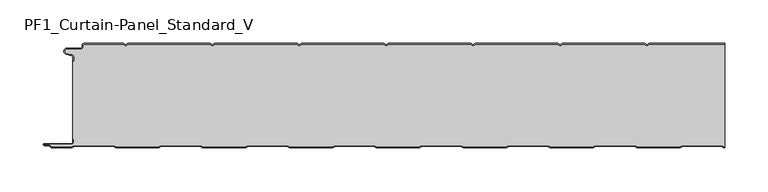
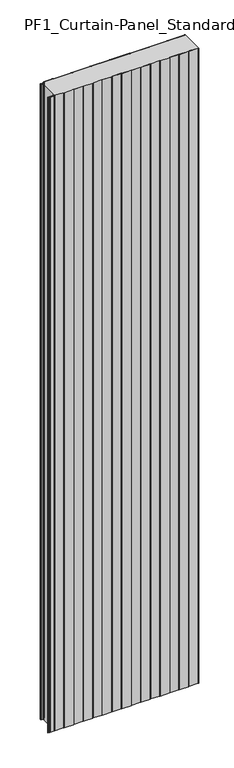
"""IFC4 building model written with IfcOpenShell, lengths in millimetres: plate geometry, PF1_Curtain-Panel_Standard_V."""

from ifc_helpers import new_model, si_unit, point, frame_2d, origin, origin_with_axes, place, context, project, spatial, polyline, circle_curve, trimmed, segment, composite_curve, outline, extrude, source, transform, mapped, element, save


def pf1_curtain_panel_standard_v_e757b284(model_context):
    return source(origin(), model_context, "Body", "SweptSolid", [
        extrude(outline(composite_curve([segment(trimmed(circle_curve(frame_2d((-377.0, -15.878557)), 2.0), [point((-375.0, -15.878557))], [point((-376.5500978, -13.9298169))], True, "CARTESIAN"), True, "CONTINUOUS"), segment(polyline([(-376.5500978, -13.9298169), (-382.7098239, -12.507732)]), True, "CONTINUOUS"), segment(trimmed(circle_curve(frame_2d((-381.9, -9.0)), 3.6), [point((-382.7098239, -12.507732))], [point((-381.9, -5.4))], False, "CARTESIAN"), True, "CONTINUOUS"), segment(polyline([(-381.9, -5.4), (-366.4, -5.4)]), True, "CONTINUOUS"), segment(trimmed(circle_curve(frame_2d((-366.4, -3.4)), 2.0), [point((-366.4, -5.4))], [point((-364.4, -3.4))], True, "CARTESIAN"), True, "CONTINUOUS"), segment(polyline([(-364.4, -3.4), (-364.4, -2.0)]), True, "CONTINUOUS"), segment(trimmed(circle_curve(frame_2d((-362.4, -2.0)), 2.0), [point((-364.4, -2.0))], [point((-362.4, 0.0))], False, "CARTESIAN"), True, "CONTINUOUS"), segment(polyline([(-362.4, 0.0), (-317.0999995, 0.0), (-314.4, -1.5588455), (-311.7000005, 0.0), (-217.0999995, 0.0), (-214.4, -1.5588455), (-211.7000005, 0.0), (-117.0999995, 0.0), (-114.4, -1.5588455), (-111.7000005, 0.0), (-17.0999995, 0.0), (-14.4, -1.5588455), (-11.7000005, 0.0), (82.9000005, 0.0), (85.6, -1.5588455), (88.2999995, 0.0), (182.9000005, 0.0), (185.6, -1.5588455), (188.2999995, 0.0), (282.9000005, 0.0), (285.6, -1.5588455), (288.2999995, 0.0), (375.0, 0.0), (375.0, -0.8), (288.5143588, -0.8), (285.6, -2.482606), (282.6856412, -0.8), (188.5143588, -0.8), (185.6, -2.482606), (182.6856412, -0.8), (88.5143588, -0.8), (85.6, -2.482606), (82.6856412, -0.8), (-11.4856412, -0.8), (-14.4, -2.482606), (-17.3143588, -0.8), (-111.4856412, -0.8), (-114.4, -2.482606), (-117.3143588, -0.8), (-211.4856412, -0.8), (-214.4, -2.482606), (-217.3143588, -0.8), (-311.4856412, -0.8), (-314.4, -2.482606), (-317.3143588, -0.8), (-362.4, -0.8)]), True, "CONTINUOUS"), segment(trimmed(circle_curve(frame_2d((-362.4, -2.0)), 1.2), [point((-362.4, -0.8))], [point((-363.6, -2.0))], True, "CARTESIAN"), True, "CONTINUOUS"), segment(polyline([(-363.6, -2.0), (-363.6, -3.4)]), True, "CONTINUOUS"), segment(trimmed(circle_curve(frame_2d((-366.4, -3.4)), 2.8), [point((-363.6, -3.4))], [point((-366.4, -6.2))], False, "CARTESIAN"), True, "CONTINUOUS"), segment(polyline([(-366.4, -6.2), (-381.9, -6.2)]), True, "CONTINUOUS"), segment(trimmed(circle_curve(frame_2d((-381.9, -9.0)), 2.8), [point((-381.9, -6.2))], [point((-382.529863, -11.7282362))], True, "CARTESIAN"), True, "CONTINUOUS"), segment(polyline([(-382.529863, -11.7282362), (-376.370137, -13.150321)]), True, "CONTINUOUS"), segment(trimmed(circle_curve(frame_2d((-377.0, -15.878557)), 2.8), [point((-376.370137, -13.150321))], [point((-374.2, -15.878557))], False, "CARTESIAN"), True, "CONTINUOUS"), segment(polyline([(-374.2, -15.878557), (-374.2, -20.0), (-375.0, -20.0), (-375.0, -15.878557)]), True, "CONTINUOUS")], self_intersect=False)), origin_with_axes(), (0.0, 0.0, 1.0), 3500.0),
        extrude(outline(composite_curve([segment(polyline([(-374.2, -110.0), (-375.0, -110.0), (-375.0, -20.0), (-374.2, -20.0), (-374.2, -15.878557)]), True, "CONTINUOUS"), segment(trimmed(circle_curve(frame_2d((-377.0, -15.878557)), 2.8), [point((-374.2, -15.878557))], [point((-376.370137, -13.1503208))], True, "CARTESIAN"), True, "CONTINUOUS"), segment(polyline([(-376.370137, -13.1503208), (-382.529863, -11.7282362)]), True, "CONTINUOUS"), segment(trimmed(circle_curve(frame_2d((-381.9, -9.0)), 2.8), [point((-382.529863, -11.7282362))], [point((-381.9, -6.2))], False, "CARTESIAN"), True, "CONTINUOUS"), segment(polyline([(-381.9, -6.2), (-366.4, -6.2)]), True, "CONTINUOUS"), segment(trimmed(circle_curve(frame_2d((-366.4, -3.4)), 2.8), [point((-366.4, -6.2))], [point((-363.6, -3.4))], True, "CARTESIAN"), True, "CONTINUOUS"), segment(polyline([(-363.6, -3.4), (-363.6, -2.0)]), True, "CONTINUOUS"), segment(trimmed(circle_curve(frame_2d((-362.4, -2.0)), 1.2), [point((-363.6, -2.0))], [point((-362.4, -0.8))], False, "CARTESIAN"), True, "CONTINUOUS"), segment(polyline([(-362.4, -0.8), (-317.3143588, -0.8), (-314.4, -2.482606), (-311.4856412, -0.8), (-217.3143588, -0.8), (-214.4, -2.482606), (-211.4856412, -0.8), (-117.3143588, -0.8), (-114.4, -2.482606), (-111.4856412, -0.8), (-17.3143588, -0.8), (-14.4, -2.482606), (-11.4856412, -0.8), (82.6856412, -0.8), (85.6, -2.482606), (88.5143588, -0.8), (182.6856412, -0.8), (185.6, -2.482606), (188.5143588, -0.8), (282.6856412, -0.8), (285.6, -2.482606), (288.5143588, -0.8), (375.0, -0.8), (375.0, -119.2), (374.2152562, -119.2), (371.6171786, -117.7), (326.3884624, -117.7), (323.7903848, -119.2), (274.2152562, -119.2), (271.6171786, -117.7), (226.3884624, -117.7), (223.7903848, -119.2), (174.2152562, -119.2), (171.6171786, -117.7), (126.3884624, -117.7), (123.7903848, -119.2), (74.2152562, -119.2), (71.6171786, -117.7), (26.3884624, -117.7), (23.7903848, -119.2), (-25.7847438, -119.2), (-28.3828214, -117.7), (-73.6115376, -117.7), (-76.2096152, -119.2), (-125.7847438, -119.2), (-128.3828214, -117.7), (-173.6115376, -117.7), (-176.2096152, -119.2), (-225.7847438, -119.2), (-228.3828214, -117.7), (-273.6115376, -117.7), (-276.2096152, -119.2), (-325.7847438, -119.2), (-328.3828214, -117.7), (-373.6115376, -117.7), (-376.2096152, -119.2), (-399.4, -119.2)]), True, "CONTINUOUS"), segment(trimmed(circle_curve(frame_2d((-399.4, -118.4)), 0.8), [point((-399.4, -119.2))], [point((-400.2, -118.4))], False, "CARTESIAN"), True, "CONTINUOUS"), segment(trimmed(circle_curve(frame_2d((-401.9, -118.6133333)), 1.7133333), [point((-400.2, -118.4))], [point((-401.9, -116.9))], True, "CARTESIAN"), True, "CONTINUOUS"), segment(polyline([(-401.9, -116.9), (-407.8700312, -116.9)]), True, "CONTINUOUS"), segment(trimmed(circle_curve(frame_2d((-407.8700312, -116.6)), 0.3), [point((-407.8700312, -116.9))], [point((-407.8700312, -116.3))], False, "CARTESIAN"), True, "CONTINUOUS"), segment(polyline([(-407.8700312, -116.3), (-377.0, -116.3)]), True, "CONTINUOUS"), segment(trimmed(circle_curve(frame_2d((-377.0, -113.5)), 2.8), [point((-377.0, -116.3))], [point((-374.2, -113.5))], True, "CARTESIAN"), True, "CONTINUOUS"), segment(polyline([(-374.2, -113.5), (-374.2, -110.0)]), True, "CONTINUOUS")], self_intersect=False)), origin_with_axes(), (0.0, 0.0, 1.0), 3500.0),
        extrude(outline(composite_curve([segment(polyline([(-375.0, -110.0), (-374.2, -110.0), (-374.2, -113.5)]), True, "CONTINUOUS"), segment(trimmed(circle_curve(frame_2d((-377.0, -113.5)), 2.8), [point((-374.2, -113.5))], [point((-377.0, -116.3))], False, "CARTESIAN"), True, "CONTINUOUS"), segment(polyline([(-377.0, -116.3), (-407.8700312, -116.3)]), True, "CONTINUOUS"), segment(trimmed(circle_curve(frame_2d((-407.8700312, -116.6)), 0.3), [point((-407.8700312, -116.3))], [point((-407.8700312, -116.9))], True, "CARTESIAN"), True, "CONTINUOUS"), segment(polyline([(-407.8700312, -116.9), (-401.9, -116.9)]), True, "CONTINUOUS"), segment(trimmed(circle_curve(frame_2d((-401.9, -118.6133333)), 1.7133333), [point((-401.9, -116.9))], [point((-400.2, -118.4))], False, "CARTESIAN"), True, "CONTINUOUS"), segment(trimmed(circle_curve(frame_2d((-399.4, -118.4)), 0.8), [point((-400.2, -118.4))], [point((-399.4, -119.2))], True, "CARTESIAN"), True, "CONTINUOUS"), segment(polyline([(-399.4, -119.2), (-376.2096152, -119.2), (-373.6115376, -117.7), (-328.3828214, -117.7), (-325.7847438, -119.2), (-276.2096152, -119.2), (-273.6115376, -117.7), (-228.3828214, -117.7), (-225.7847438, -119.2), (-176.2096152, -119.2), (-173.6115376, -117.7), (-128.3828214, -117.7), (-125.7847438, -119.2), (-76.2096152, -119.2), (-73.6115376, -117.7), (-28.3828214, -117.7), (-25.7847438, -119.2), (23.7903848, -119.2), (26.3884624, -117.7), (71.6171786, -117.7), (74.2152562, -119.2), (123.7903848, -119.2), (126.3884624, -117.7), (171.6171786, -117.7), (174.2152562, -119.2), (223.7903848, -119.2), (226.3884624, -117.7), (271.6171786, -117.7), (274.2152562, -119.2), (323.7903848, -119.2), (326.3884624, -117.7), (371.6171786, -117.7), (374.2152562, -119.2), (375.0, -119.2), (375.0, -120.0), (374.0008969, -120.0), (371.4028193, -118.5), (326.6028217, -118.5), (324.0047441, -120.0), (274.0008969, -120.0), (271.4028193, -118.5), (226.6028217, -118.5), (224.0047441, -120.0), (174.0008969, -120.0), (171.4028193, -118.5), (126.6028217, -118.5), (124.0047441, -120.0), (74.0008969, -120.0), (71.4028193, -118.5), (26.6028217, -118.5), (24.0047441, -120.0), (-25.9991031, -120.0), (-28.5971807, -118.5), (-73.3971783, -118.5), (-75.9952559, -120.0), (-125.9991031, -120.0), (-128.5971807, -118.5), (-173.3971783, -118.5), (-175.9952559, -120.0), (-225.9991031, -120.0), (-228.5971807, -118.5), (-273.3971783, -118.5), (-275.9952559, -120.0), (-325.9991031, -120.0), (-328.5971807, -118.5), (-373.3971783, -118.5), (-375.9952559, -120.0), (-399.4, -120.0)]), True, "CONTINUOUS"), segment(trimmed(circle_curve(frame_2d((-399.4, -118.4)), 1.6), [point((-399.4, -120.0))], [point((-401.0, -118.4))], False, "CARTESIAN"), True, "CONTINUOUS"), segment(trimmed(circle_curve(frame_2d((-401.9, -118.4)), 0.9), [point((-401.0, -118.4))], [point((-401.9, -117.5))], True, "CARTESIAN"), True, "CONTINUOUS"), segment(polyline([(-401.9, -117.5), (-408.0, -117.5)]), True, "CONTINUOUS"), segment(trimmed(circle_curve(frame_2d((-408.0, -116.5)), 1.0), [point((-408.0, -117.5))], [point((-408.0, -115.5))], False, "CARTESIAN"), True, "CONTINUOUS"), segment(polyline([(-408.0, -115.5), (-377.0, -115.5)]), True, "CONTINUOUS"), segment(trimmed(circle_curve(frame_2d((-377.0, -113.5)), 2.0), [point((-377.0, -115.5))], [point((-375.0, -113.5))], True, "CARTESIAN"), True, "CONTINUOUS"), segment(polyline([(-375.0, -113.5), (-375.0, -110.0)]), True, "CONTINUOUS")], self_intersect=False)), origin_with_axes(), (0.0, 0.0, 1.0), 3500.0),
    ])


if __name__ == "__main__":
    model = new_model("IFC4")
    model_context = context("Model", 3, world=origin())
    ifc_project = project(units=[si_unit("LENGTHUNIT", "METRE", prefix="MILLI")], contexts=[model_context])
    site = spatial("IfcSite", under=ifc_project)
    building = spatial("IfcBuilding", under=site)
    placement = place(None, origin())
    pf1_curtain_panel_standard_v_shape = pf1_curtain_panel_standard_v_e757b284(model_context)
    element("IfcPlate", 1, ObjectType="PF1_Curtain-Panel_Standard_V", at=placement, inside=building, context=model_context, shape_type="MappedRepresentation", body=[
        mapped(pf1_curtain_panel_standard_v_shape, transform((0.0, 0.0, 0.0), x_axis=(1.0, 0.0, 0.0), y_axis=(0.0, 1.0, 0.0), z_axis=(0.0, 0.0, 1.0))),
    ])
    save(model, "model.ifc")
